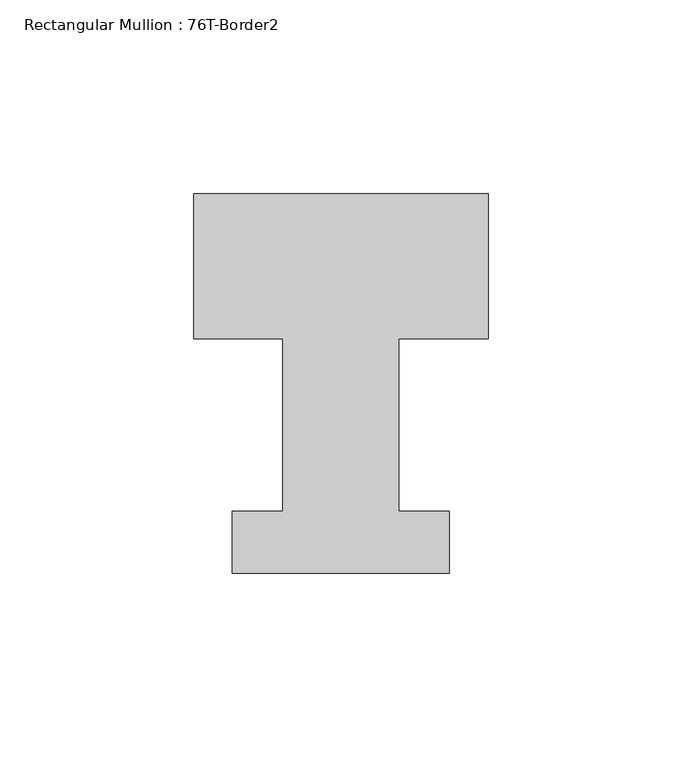
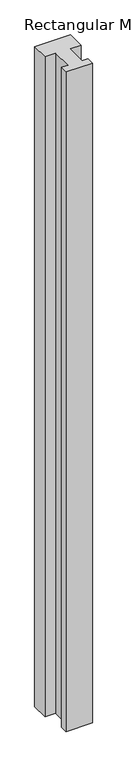
"""IFC4 building model written with IfcOpenShell, lengths in millimetres: member geometry, Rectangular Mullion : 76T-Border2."""

import ifcopenshell
import ifcopenshell.guid

model = None  # the IFC model being written
_history = None  # IfcOwnerHistory: only IFC2X3 demands one
_inside = {}  # id of a spatial element -> (the spatial element, [elements in it])
_under = {}  # id of a project, library or spatial element -> (it, [spatial elements below it])
_declared = {}  # id of a project -> (the project, [libraries it declares])
_typed = {}  # id of a type object -> (the type object, [elements of that type])
_made_of = {}  # id of a material, layer set ... -> (it, [elements and type objects made of it])


def new_model(schema):
    """Start an empty IFC model of exactly this schema.

    Asked for "IFC4X3", IfcOpenShell would pick the latest addendum, in which some entities
    have other attributes; the version numbers below select the first issue.
    IFC2X3 requires an IfcOwnerHistory on every rooted entity: one is made here for all.
    """
    global model, _history
    if schema == "IFC4X3":
        model = ifcopenshell.file(schema_version=(4, 3, 0, 0))
    else:
        model = ifcopenshell.file(schema=schema)
    _inside.clear()
    _under.clear()
    _declared.clear()
    _typed.clear()
    _made_of.clear()
    _history = None
    if model.schema == "IFC2X3":
        org = make("IfcOrganization", Name="unknown")
        user = make(
            "IfcPersonAndOrganization",
            ThePerson=make("IfcPerson", FamilyName="unknown"),
            TheOrganization=org,
        )
        app = make(
            "IfcApplication",
            ApplicationDeveloper=org,
            Version="unknown",
            ApplicationFullName="unknown",
            ApplicationIdentifier="unknown",
        )
        _history = make(
            "IfcOwnerHistory",
            OwningUser=user,
            OwningApplication=app,
            ChangeAction="ADDED",
            CreationDate=0,
        )
    return model


def make(cls, **values):
    """One entity of the class cls with the attributes given. An attribute that is None is left unset."""
    return model.create_entity(
        cls, **{name: value for name, value in values.items() if value is not None}
    )


def rooted(cls, **values):
    """An entity with a GlobalId (a new one), such as an element, a storey or a relation."""
    return make(cls, GlobalId=ifcopenshell.guid.new(), OwnerHistory=_history, **values)


def si_unit(unit_type, name, prefix=None):
    """IfcSIUnit, for example si_unit("LENGTHUNIT", "METRE", prefix="MILLI")."""
    return make("IfcSIUnit", UnitType=unit_type, Prefix=prefix, Name=name)


def assignment(units):
    """IfcUnitAssignment: the units of a project."""
    return None if units is None else make("IfcUnitAssignment", Units=units)


def point(xyz):
    """IfcCartesianPoint."""
    return None if xyz is None else make("IfcCartesianPoint", Coordinates=xyz)


def direction(xyz):
    """IfcDirection."""
    return None if xyz is None else make("IfcDirection", DirectionRatios=xyz)


def frame(location, z_axis=None, x_axis=None):
    """IfcAxis2Placement3D, a coordinate frame: its origin and axes. An axis left out is left unset."""
    return make(
        "IfcAxis2Placement3D",
        Location=point(location),
        Axis=direction(z_axis),
        RefDirection=direction(x_axis),
    )


def origin():
    """The frame at (0, 0, 0) with its axes left unset."""
    return frame((0.0, 0.0, 0.0))


def place(relative_to, where):
    """IfcLocalPlacement: puts the frame where relative to a parent placement (None: the world)."""
    return make(
        "IfcLocalPlacement", PlacementRelTo=relative_to, RelativePlacement=where
    )


def context(
    kind, dimensions, precision=None, world=None, true_north=None, identifier=None
):
    """IfcGeometricRepresentationContext, for example the 3D "Model" context."""
    return make(
        "IfcGeometricRepresentationContext",
        ContextIdentifier=identifier,
        ContextType=kind,
        CoordinateSpaceDimension=dimensions,
        Precision=precision,
        WorldCoordinateSystem=world,
        TrueNorth=true_north,
    )


def project(units=None, contexts=None):
    """IfcProject with its units and contexts."""
    return rooted(
        "IfcProject",
        Name="project",
        RepresentationContexts=contexts,
        UnitsInContext=assignment(units),
    )


def spatial(cls, under=None, at=None, **own):
    """A site, building, storey or space (cls), placed at a placement, below another one or the project."""
    s = rooted(cls, ObjectPlacement=at, **own)
    if under is not None:
        _under.setdefault(under.id(), (under, []))[1].append(s)
    return s


def polyline(points):
    """IfcPolyline through the points."""
    return make("IfcPolyline", Points=[point(p) for p in points])


def outline(outer, holes=None, kind="AREA"):
    """IfcArbitraryClosedProfileDef: a profile drawn as a closed curve; with holes, ...WithVoids."""
    if holes is None:
        return make("IfcArbitraryClosedProfileDef", ProfileType=kind, OuterCurve=outer)
    return make(
        "IfcArbitraryProfileDefWithVoids",
        ProfileType=kind,
        OuterCurve=outer,
        InnerCurves=holes,
    )


def extrude(swept, where, along, depth):
    """IfcExtrudedAreaSolid: the profile swept, set in the frame where, extruded along a direction by depth."""
    return make(
        "IfcExtrudedAreaSolid",
        SweptArea=swept,
        Position=where,
        ExtrudedDirection=direction(along),
        Depth=depth,
    )


def shape(context_of_items, identifier, shape_type, items):
    """IfcShapeRepresentation: the items that make up one representation, for example the "Body"."""
    return make(
        "IfcShapeRepresentation",
        ContextOfItems=context_of_items,
        RepresentationIdentifier=identifier,
        RepresentationType=shape_type,
        Items=items,
    )


def source(mapping_origin, context_of_items, identifier, shape_type, items):
    """IfcRepresentationMap: a shape defined once, which mapped items show again and again."""
    return make(
        "IfcRepresentationMap",
        MappingOrigin=mapping_origin,
        MappedRepresentation=shape(context_of_items, identifier, shape_type, items),
    )


def transform(
    local_origin,
    x_axis=None,
    y_axis=None,
    z_axis=None,
    scale=None,
    scale2=None,
    scale3=None,
    uniform=True,
):
    """IfcCartesianTransformationOperator3D, or its non-uniform kind. x_axis, y_axis, z_axis: its Axis1, 2, 3."""
    if uniform:
        return make(
            "IfcCartesianTransformationOperator3D",
            Axis1=direction(x_axis),
            Axis2=direction(y_axis),
            LocalOrigin=point(local_origin),
            Scale=scale,
            Axis3=direction(z_axis),
        )
    return make(
        "IfcCartesianTransformationOperator3DnonUniform",
        Axis1=direction(x_axis),
        Axis2=direction(y_axis),
        LocalOrigin=point(local_origin),
        Scale=scale,
        Axis3=direction(z_axis),
        Scale2=scale2,
        Scale3=scale3,
    )


def mapped(mapping_source, mapping_target):
    """IfcMappedItem: shows the shape of a source again, moved by a transform."""
    return make(
        "IfcMappedItem", MappingSource=mapping_source, MappingTarget=mapping_target
    )


def made_of(thing, what):
    """Note that an element or type object is made of a material, layer set ...; save() writes the relation."""
    if what is not None:
        _made_of.setdefault(what.id(), (what, []))[1].append(thing)
    return thing


def element(
    cls,
    number,
    at=None,
    inside=None,
    cuts=None,
    type_object=None,
    material=None,
    context=None,
    identifier="Body",
    shape_type=None,
    held_by="IfcProductDefinitionShape",
    body=None,
    shapes=None,
    **own,
):
    """One element of the class cls, such as IfcWall. Its Tag is "e" and its number.

    at: its placement. inside: the storey or other place that contains it. cuts: it is an
    opening in that element (IfcRelVoidsElement). A single representation is given by context,
    identifier, shape_type and body (its items); several are given by shapes. held_by: the class
    of the entity that holds the representations. save() writes the other relations.
    """
    e = rooted(cls, Tag="e%d" % number, ObjectPlacement=at, **own)
    if body is not None:
        shapes = [shape(context, identifier, shape_type, body)]
    if shapes is not None:
        e.Representation = make(held_by, Representations=shapes)
    if inside is not None:
        _inside.setdefault(inside.id(), (inside, []))[1].append(e)
    if cuts is not None:
        rooted(
            "IfcRelVoidsElement", RelatingBuildingElement=cuts, RelatedOpeningElement=e
        )
    if type_object is not None:
        _typed.setdefault(type_object.id(), (type_object, []))[1].append(e)
    return made_of(e, material)


def aggregate(whole, parts):
    """IfcRelAggregates: a whole, such as a stair, and the parts it consists of."""
    return rooted("IfcRelAggregates", RelatingObject=whole, RelatedObjects=parts)


def save(model, path):
    """Write the relations noted so far, then the file.

    IfcRelAggregates (storeys below a building ...), IfcRelContainedInSpatialStructure (elements
    in a storey), IfcRelDefinesByType, IfcRelAssociatesMaterial and IfcRelDeclares: one each for
    every whole, place, type object, material and project.
    """
    for whole, parts in _under.values():
        aggregate(whole, parts)
    for where, things in _inside.values():
        rooted(
            "IfcRelContainedInSpatialStructure",
            RelatedElements=things,
            RelatingStructure=where,
        )
    for kind, things in _typed.values():
        rooted("IfcRelDefinesByType", RelatedObjects=things, RelatingType=kind)
    for what, things in _made_of.values():
        rooted("IfcRelAssociatesMaterial", RelatedObjects=things, RelatingMaterial=what)
    for by, libraries in _declared.values():
        rooted("IfcRelDeclares", RelatingContext=by, RelatedDefinitions=libraries)
    model.write(path)


def rectangular_mullion_76t_border2_08314cfd(model_context):
    return source(origin(), model_context, "Body", "SweptSolid", [
        extrude(outline(polyline([(0.0, 38.0), (0.0, 0.5), (-23.0, 0.5), (-23.0, -44.0), (-10.0, -44.0), (-10.0, -60.0), (-66.0, -60.0), (-66.0, -44.0), (-53.0, -44.0), (-53.0, 0.5), (-76.0, 0.5), (-76.0, 38.0), (0.0, 38.0)])), frame((0.0, 0.0, -1477.534293), z_axis=(0.0, 0.0, 1.0), x_axis=(1.0, 0.0, 0.0)), (0.0, 0.0, 1.0), 1477.534293),
    ])


if __name__ == "__main__":
    model = new_model("IFC4")
    model_context = context("Model", 3, world=origin())
    ifc_project = project(units=[si_unit("LENGTHUNIT", "METRE", prefix="MILLI")], contexts=[model_context])
    site = spatial("IfcSite", under=ifc_project)
    building = spatial("IfcBuilding", under=site)
    placement = place(None, origin())
    rectangular_mullion_76t_border2_shape = rectangular_mullion_76t_border2_08314cfd(model_context)
    element("IfcMember", 1, ObjectType="Rectangular Mullion : 76T-Border2", at=placement, inside=building, context=model_context, shape_type="MappedRepresentation", body=[
        mapped(rectangular_mullion_76t_border2_shape, transform((0.0, 0.0, 0.0), x_axis=(1.0, 0.0, 0.0), y_axis=(0.0, 1.0, 0.0), z_axis=(0.0, 0.0, 1.0))),
    ])
    save(model, "model.ifc")
